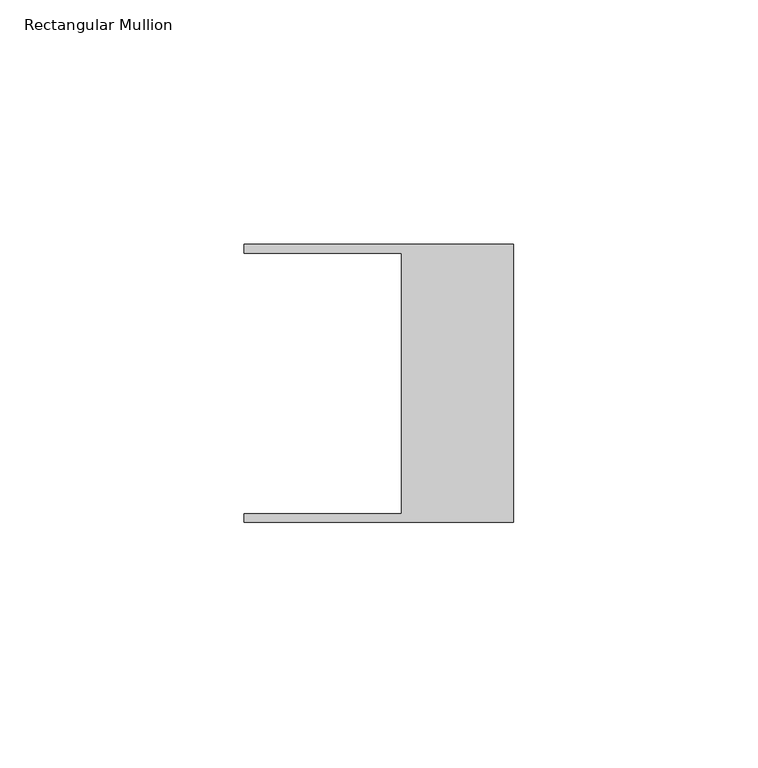
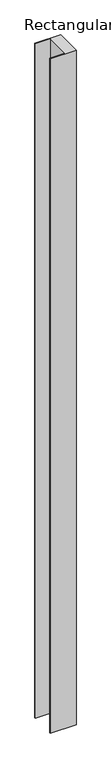
"""IFC4 building model written with IfcOpenShell, lengths in millimetres: member geometry, Rectangular Mullion."""

from ifc_helpers import new_model, si_unit, frame, origin, place, context, project, spatial, polyline, outline, extrude, source, transform, mapped, element, save


def rectangular_mullion_3a026373(model_context):
    return source(origin(), model_context, "Body", "SweptSolid", [
        extrude(outline(polyline([(-55.118, 26.67), (-55.118, 28.448), (0.0, 28.448), (0.0, -28.448), (-55.118, -28.448), (-55.118, -26.67), (-22.86, -26.67), (-22.86, 26.67), (-55.118, 26.67)])), frame((0.0, 0.0, -1524.0), z_axis=(0.0, 0.0, 1.0), x_axis=(1.0, 0.0, 0.0)), (0.0, 0.0, 1.0), 1524.0),
    ])


if __name__ == "__main__":
    model = new_model("IFC4")
    model_context = context("Model", 3, world=origin())
    ifc_project = project(units=[si_unit("LENGTHUNIT", "METRE", prefix="MILLI")], contexts=[model_context])
    site = spatial("IfcSite", under=ifc_project)
    building = spatial("IfcBuilding", under=site)
    placement = place(None, origin())
    rectangular_mullion_shape = rectangular_mullion_3a026373(model_context)
    element("IfcMember", 1, ObjectType="Rectangular Mullion", at=placement, inside=building, context=model_context, shape_type="MappedRepresentation", body=[
        mapped(rectangular_mullion_shape, transform((0.0, 0.0, 0.0), x_axis=(1.0, 0.0, 0.0), y_axis=(0.0, 1.0, 0.0), z_axis=(0.0, 0.0, 1.0))),
    ])
    save(model, "model.ifc")
